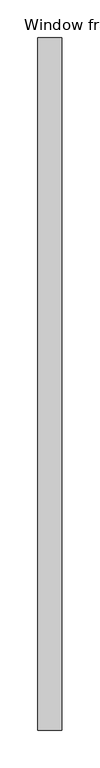
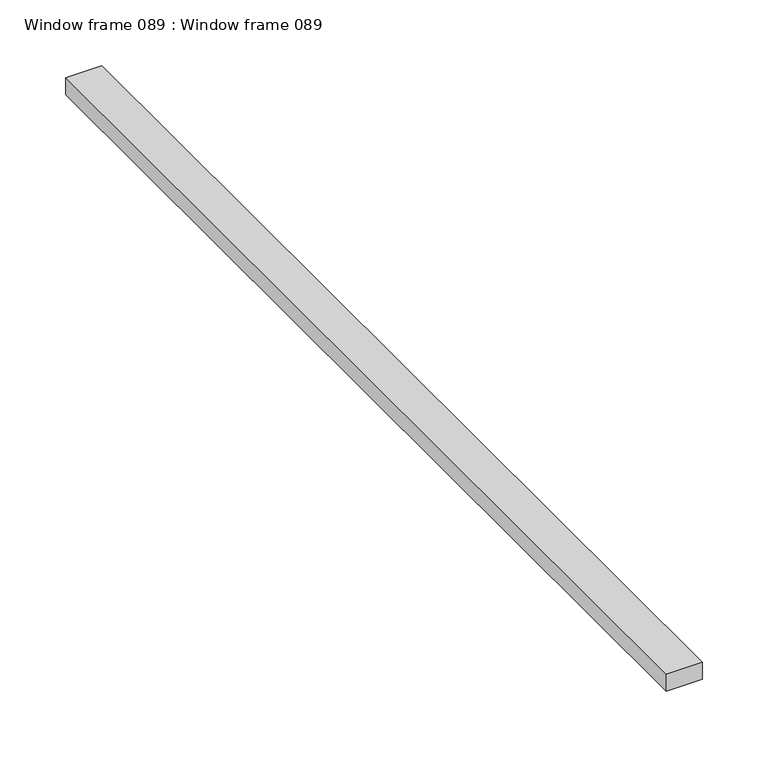
"""IFC4 building model written with IfcOpenShell, lengths in millimetres: proxy geometry, Window frame 089 : Window frame 089."""

from ifc_helpers import new_model, si_unit, frame, origin, place, context, project, spatial, polyline, outline, extrude, source, transform, mapped, element, save


def window_frame_089_window_frame_089_b93a94a7(model_context):
    return source(origin(), model_context, "Body", "SweptSolid", [
        extrude(outline(polyline([(37615.1727312, -19576.8264268), (37583.4227312, -19576.8264268), (37583.4227312, -18662.4264268), (37615.1727312, -18662.4264268), (37615.1727312, -19576.8264268)])), frame((0.0, 0.0, 1362.0496), z_axis=(0.0, 0.0, 1.0), x_axis=(1.0, 0.0, 0.0)), (0.0, 0.0, 1.0), 15.875),
    ])


if __name__ == "__main__":
    model = new_model("IFC4")
    model_context = context("Model", 3, world=origin())
    ifc_project = project(units=[si_unit("LENGTHUNIT", "METRE", prefix="MILLI")], contexts=[model_context])
    site = spatial("IfcSite", under=ifc_project)
    building = spatial("IfcBuilding", under=site)
    placement = place(None, origin())
    window_frame_089_window_frame_089_shape = window_frame_089_window_frame_089_b93a94a7(model_context)
    element("IfcBuildingElementProxy", 1, Name="Window frame 089 : Window frame 089", ObjectType="Window frame 089 : Window frame 089", at=placement, inside=building, context=model_context, shape_type="MappedRepresentation", body=[
        mapped(window_frame_089_window_frame_089_shape, transform((0.0, 0.0, 0.0), x_axis=(1.0, 0.0, 0.0), y_axis=(0.0, 1.0, 0.0), z_axis=(0.0, 0.0, 1.0))),
    ])
    save(model, "model.ifc")
